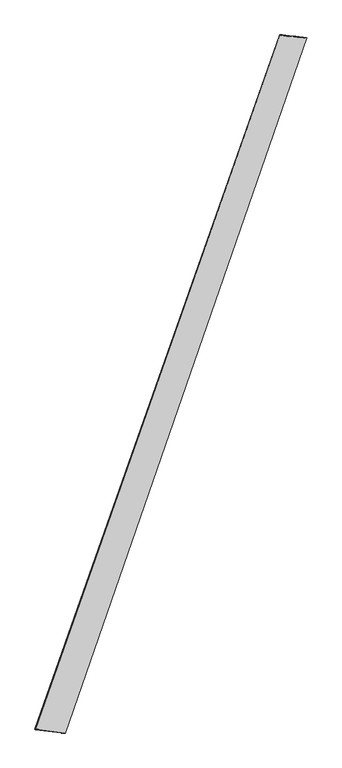
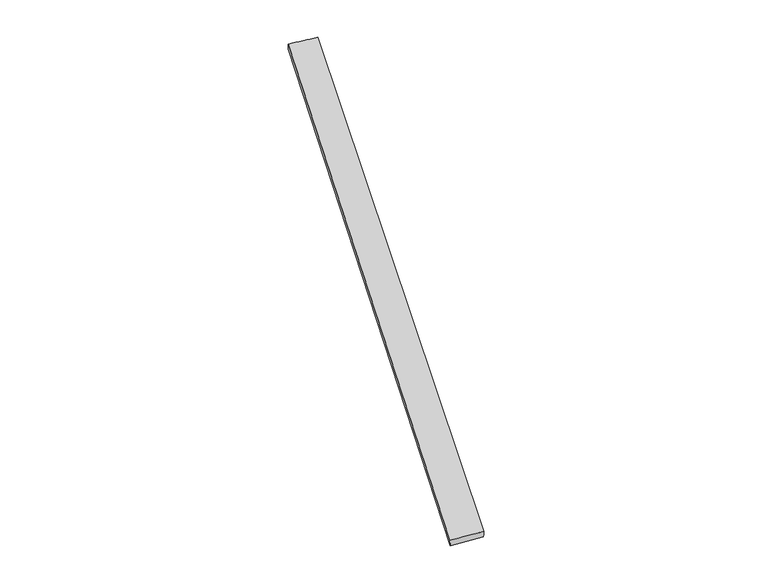
"""IFC4 building model written with IfcOpenShell, lengths in millimetres: proxy geometry."""

from ifc_helpers import new_model, si_unit, origin, place, context, project, spatial, source, transform, mapped, element, save
from ifc_brep_helpers import spline_surface, advanced_brep


def generic_models_325d46f5(model_context):
    return source(origin(), model_context, "Body", "AdvancedBrep", [
        advanced_brep(
        [(-694.2413901, -1758.744855, -1.8167558), (-695.9772626, -1758.1636554, 28.1273414), (684.2748474, 2156.5150413, 32.0225157), (683.3115187, 2156.8834824, 2.0402501), (-523.7762504, -1778.6168422, 31.8132108), (835.6369869, 2140.2143631, 27.95537), (-524.1842495, -1778.5048386, 1.8161945), (835.1141209, 2140.3662113, -2.0396888)],
        [
            (0, 1),
            (1, 2),
            (2, 3),
            (3, 0),
            (1, 4),
            (4, 5),
            (5, 2),
            (4, 6),
            (6, 7),
            (7, 5),
            (6, 0),
            (3, 7),
        ],
        [
            spline_surface(1, 1, [[(-694.2413901, -1758.744855, -1.8167558), (683.3115187, 2156.8834824, 2.0402501)], [(-695.9772626, -1758.1636554, 28.1273414), (684.2748474, 2156.5150413, 32.0225157)]], [2, 2], [2, 2], [0.0, 1.0], [0.0, 1.0]),
            spline_surface(1, 1, [[(-695.9772626, -1758.1636554, 28.1273414), (684.2748474, 2156.5150413, 32.0225157)], [(-523.7762504, -1778.6168422, 31.8132108), (835.6369869, 2140.2143631, 27.95537)]], [2, 2], [2, 2], [0.0, 1.0], [0.0, 1.0]),
            spline_surface(1, 1, [[(-523.7762504, -1778.6168422, 31.8132108), (835.6369869, 2140.2143631, 27.95537)], [(-524.1842495, -1778.5048386, 1.8161945), (835.1141209, 2140.3662113, -2.0396888)]], [2, 2], [2, 2], [0.0, 1.0], [0.0, 1.0]),
            spline_surface(1, 1, [[(-524.1842495, -1778.5048386, 1.8161945), (835.1141209, 2140.3662113, -2.0396888)], [(-694.2413901, -1758.744855, -1.8167558), (683.3115187, 2156.8834824, 2.0402501)]], [2, 2], [2, 2], [0.0, 1.0], [0.0, 1.0]),
            spline_surface(1, 1, [[(684.2748474, 2156.5150413, 32.0225157), (683.3115187, 2156.8834824, 2.0402501)], [(835.6369869, 2140.2143631, 27.95537), (835.1141209, 2140.3662113, -2.0396888)]], [2, 2], [2, 2], [0.0, 1.0], [0.0, 1.0]),
            spline_surface(1, 1, [[(-524.1842495, -1778.5048386, 1.8161945), (-694.2413901, -1758.744855, -1.8167558)], [(-523.7762504, -1778.6168422, 31.8132108), (-695.9772626, -1758.1636554, 28.1273414)]], [2, 2], [2, 2], [0.0, 1.0], [0.0, 1.0]),
        ],
        [
            (0, [[1, 2, 3, 4]]),
            (1, [[5, 6, 7, -2]]),
            (2, [[8, 9, 10, -6]]),
            (3, [[11, -4, 12, -9]]),
            (4, [[-3, -7, -10, -12]]),
            (5, [[-11, -8, -5, -1]]),
        ],
    ),
    ])


if __name__ == "__main__":
    model = new_model("IFC4")
    model_context = context("Model", 3, world=origin())
    ifc_project = project(units=[si_unit("LENGTHUNIT", "METRE", prefix="MILLI")], contexts=[model_context])
    site = spatial("IfcSite", under=ifc_project)
    building = spatial("IfcBuilding", under=site)
    placement = place(None, origin())
    generic_models_shape = generic_models_325d46f5(model_context)
    element("IfcBuildingElementProxy", 1, Name="Generic Models", at=placement, inside=building, context=model_context, shape_type="MappedRepresentation", body=[
        mapped(generic_models_shape, transform((0.0, 0.0, 0.0), x_axis=(1.0, 0.0, 0.0), y_axis=(0.0, 1.0, 0.0), z_axis=(0.0, 0.0, 1.0))),
    ])
    save(model, "model.ifc")
